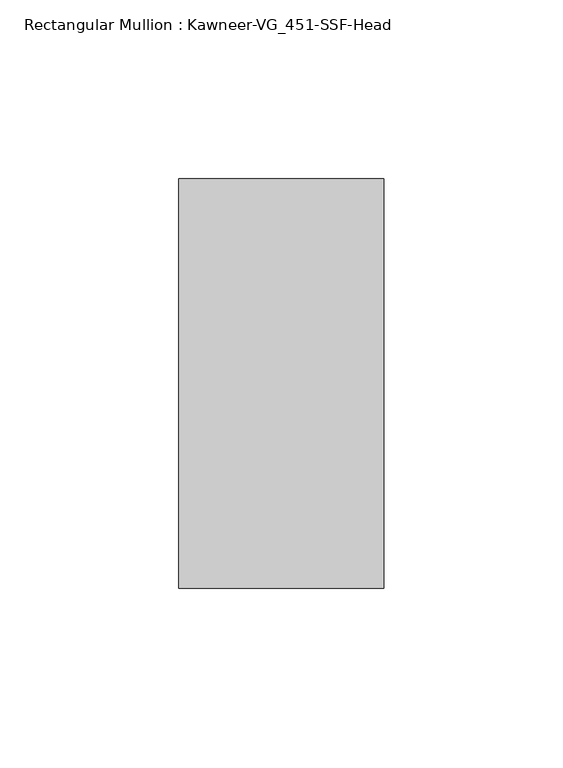
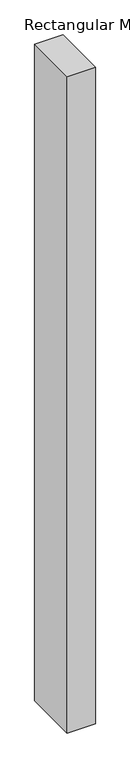
"""IFC4 building model written with IfcOpenShell, lengths in millimetres: member geometry, Rectangular Mullion : Kawneer-VG_451-SSF-Head."""

from ifc_helpers import new_model, si_unit, frame, origin, place, context, project, spatial, polyline, outline, extrude, source, transform, mapped, element, save


def rectangular_mullion_kawneer_vg_451_ssf_head_66d3cd5d(model_context):
    return source(origin(), model_context, "Body", "SweptSolid", [
        extrude(outline(polyline([(-57.15, -57.15), (-57.15, 57.15), (0.0, 57.15), (0.0, -57.15), (-57.15, -57.15)])), frame((0.0, 0.0, -1409.7), z_axis=(0.0, 0.0, 1.0), x_axis=(1.0, 0.0, 0.0)), (0.0, 0.0, 1.0), 1409.7),
    ])


if __name__ == "__main__":
    model = new_model("IFC4")
    model_context = context("Model", 3, world=origin())
    ifc_project = project(units=[si_unit("LENGTHUNIT", "METRE", prefix="MILLI")], contexts=[model_context])
    site = spatial("IfcSite", under=ifc_project)
    building = spatial("IfcBuilding", under=site)
    placement = place(None, origin())
    rectangular_mullion_kawneer_vg_451_ssf_head_shape = rectangular_mullion_kawneer_vg_451_ssf_head_66d3cd5d(model_context)
    element("IfcMember", 1, ObjectType="Rectangular Mullion : Kawneer-VG_451-SSF-Head", at=placement, inside=building, context=model_context, shape_type="MappedRepresentation", body=[
        mapped(rectangular_mullion_kawneer_vg_451_ssf_head_shape, transform((0.0, 0.0, 0.0), x_axis=(1.0, 0.0, 0.0), y_axis=(0.0, 1.0, 0.0), z_axis=(0.0, 0.0, 1.0))),
    ])
    save(model, "model.ifc")
